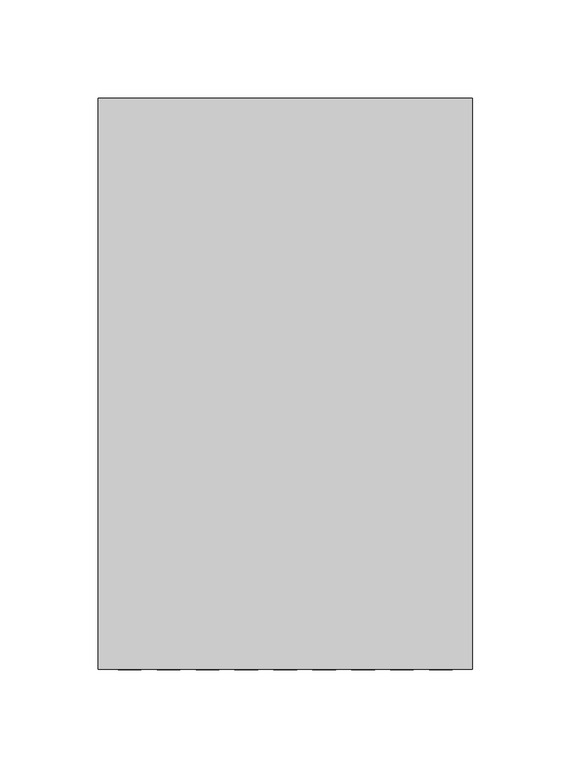
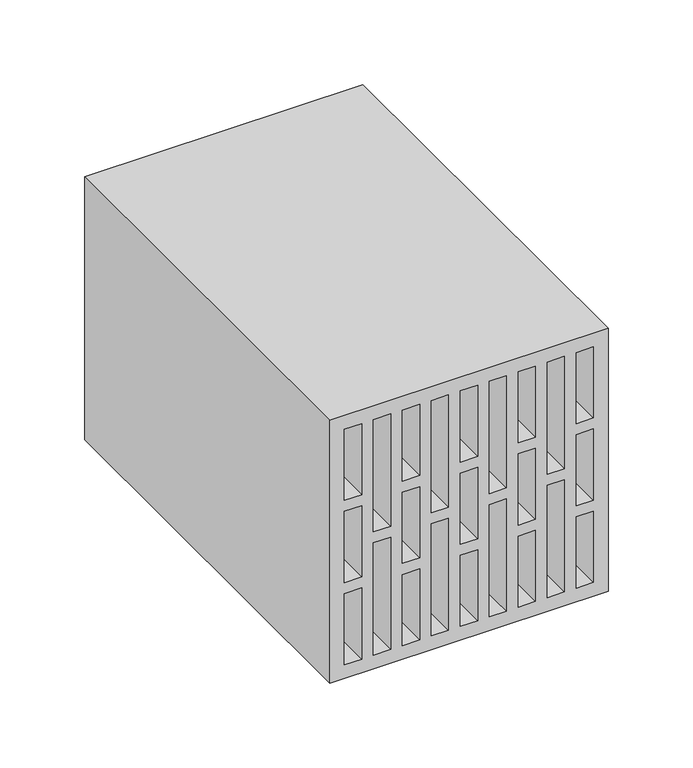
"""IFC4 building model written with IfcOpenShell, lengths in millimetres: proxy geometry."""

from ifc_helpers import new_model, si_unit, frame, origin, place, context, project, spatial, polyline, outline, extrude, source, transform, mapped, element, save


def generic_models_38313fbd(model_context):
    return source(origin(), model_context, "Body", "SweptSolid", [
        extrude(outline(polyline([(189.9759811, 0.0), (0.0, 0.0), (0.0, 190.0), (189.9759811, 190.0), (189.9759811, 0.0)]), holes=[polyline([(61.3, 168.23), (61.3, 180.0), (10.0, 180.0), (10.0, 168.23), (61.3, 168.23)]), polyline([(128.6759811, 168.23), (179.9759811, 168.23), (179.9759811, 180.0), (128.6759811, 180.0), (128.6759811, 168.23)]), polyline([(120.6759811, 180.0), (69.3, 180.0), (69.3, 168.23), (120.6759811, 168.23), (120.6759811, 180.0)]), polyline([(61.3, 21.77), (10.0, 21.77), (10.0, 10.0), (61.3, 10.0), (61.3, 21.77)]), polyline([(128.6759811, 21.77), (128.6759811, 10.0), (179.9759811, 10.0), (179.9759811, 21.77), (128.6759811, 21.77)]), polyline([(120.6759811, 10.0), (120.6759811, 21.77), (69.3, 21.77), (69.3, 10.0), (120.6759811, 10.0)]), polyline([(91.0, 29.77), (91.0, 41.54), (10.0, 41.54), (10.0, 29.77), (91.0, 29.77)]), polyline([(98.9759811, 29.77), (179.9759811, 29.77), (179.9759811, 41.54), (98.9759811, 41.54), (98.9759811, 29.77)]), polyline([(91.0, 160.23), (10.0, 160.23), (10.0, 148.46), (91.0, 148.46), (91.0, 160.23)]), polyline([(98.9759811, 160.23), (98.9759811, 148.46), (179.9759811, 148.46), (179.9759811, 160.23), (98.9759811, 160.23)]), polyline([(61.3, 140.46), (10.0, 140.46), (10.0, 128.69), (61.3, 128.69), (61.3, 140.46)]), polyline([(128.6759811, 140.46), (128.6759811, 128.69), (179.9759811, 128.69), (179.9759811, 140.46), (128.6759811, 140.46)]), polyline([(120.6759811, 128.69), (120.6759811, 140.46), (69.3, 140.46), (69.3, 128.69), (120.6759811, 128.69)]), polyline([(61.3, 49.54), (61.3, 61.31), (10.0, 61.31), (10.0, 49.54), (61.3, 49.54)]), polyline([(128.6759811, 49.54), (179.9759811, 49.54), (179.9759811, 61.31), (128.6759811, 61.31), (128.6759811, 49.54)]), polyline([(120.6759811, 61.31), (69.3, 61.31), (69.3, 49.54), (120.6759811, 49.54), (120.6759811, 61.31)]), polyline([(91.0, 108.92), (91.0, 120.69), (10.0, 120.69), (10.0, 108.92), (91.0, 108.92)]), polyline([(98.9759811, 108.92), (179.9759811, 108.92), (179.9759811, 120.69), (98.9759811, 120.69), (98.9759811, 108.92)]), polyline([(91.0, 81.08), (10.0, 81.08), (10.0, 69.31), (91.0, 69.31), (91.0, 81.08)]), polyline([(98.9759811, 81.08), (98.9759811, 69.31), (179.9759811, 69.31), (179.9759811, 81.08), (98.9759811, 81.08)]), polyline([(61.3, 89.08), (61.3, 100.92), (10.0, 100.92), (10.0, 89.08), (61.3, 89.08)]), polyline([(128.6759811, 89.08), (179.9759811, 89.08), (179.9759811, 100.92), (128.6759811, 100.92), (128.6759811, 89.08)]), polyline([(120.6759811, 100.92), (69.3, 100.92), (69.3, 89.08), (120.6759811, 89.08), (120.6759811, 100.92)])]), frame((0.0, 0.0, 0.0), z_axis=(0.0, 1.0, 0.0), x_axis=(0.0, 0.0, 1.0)), (0.0, 0.0, 1.0), 290.0),
    ])


if __name__ == "__main__":
    model = new_model("IFC4")
    model_context = context("Model", 3, world=origin())
    ifc_project = project(units=[si_unit("LENGTHUNIT", "METRE", prefix="MILLI")], contexts=[model_context])
    site = spatial("IfcSite", under=ifc_project)
    building = spatial("IfcBuilding", under=site)
    placement = place(None, origin())
    generic_models_shape = generic_models_38313fbd(model_context)
    element("IfcBuildingElementProxy", 1, Name="Generic Models", at=placement, inside=building, context=model_context, shape_type="MappedRepresentation", body=[
        mapped(generic_models_shape, transform((0.0, 0.0, 0.0), x_axis=(1.0, 0.0, 0.0), y_axis=(0.0, 1.0, 0.0), z_axis=(0.0, 0.0, 1.0))),
    ])
    save(model, "model.ifc")
